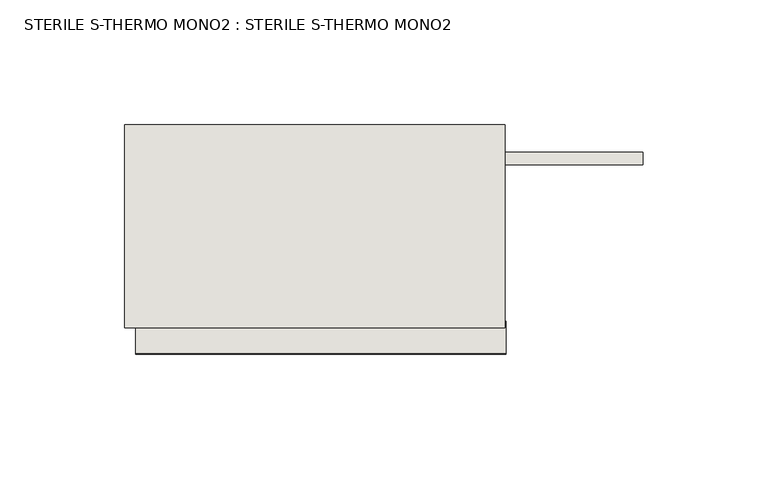
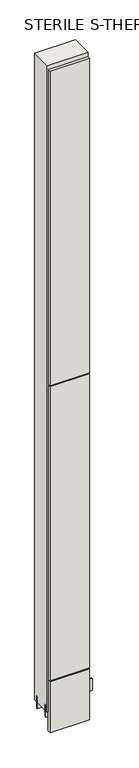
"""IFC4 building model written with IfcOpenShell, lengths in millimetres: wall geometry, STERILE S-THERMO MONO2 : STERILE S-THERMO MONO2."""

from ifc_helpers import new_model, si_unit, frame, origin, place, context, project, spatial, polyline, outline, extrude, source, transform, mapped, element, save


def sterile_s_thermo_mono2_sterile_s_thermo_mono2_7a6b02f8(model_context):
    return source(origin(), model_context, "Body", "SweptSolid", [
        extrude(outline(polyline([(61822.308918, -45023.6474684), (61819.768918, -45023.6474684), (61819.768918, -45021.1074684), (61822.308918, -45021.1074684), (61822.308918, -45023.6474684)])), frame((0.0, 0.0, 4419.6), z_axis=(0.0, 0.0, 1.0), x_axis=(1.0, 0.0, 0.0)), (0.0, 0.0, 1.0), 2.54),
        extrude(outline(polyline([(61822.7782313, -45073.1774684), (61674.3782283, -45073.1774684), (61674.3782283, -45060.4774684), (61822.7782313, -45060.4774684), (61822.7782313, -45073.1774684)])), frame((0.0, 0.0, 4573.9999706), z_axis=(0.0, 0.0, 1.0), x_axis=(1.0, 0.0, 0.0)), (0.0, 0.0, 1.0), 1164.400008),
        extrude(outline(polyline([(61822.7782313, -45073.1774684), (61674.3782283, -45073.1774684), (61674.3782283, -45060.4774684), (61822.7782313, -45060.4774684), (61822.7782313, -45073.1774684)])), frame((0.0, 0.0, 4368.1000014), z_axis=(0.0, 0.0, 1.0), x_axis=(1.0, 0.0, 0.0)), (0.0, 0.0, 1.0), 201.9000026),
        extrude(outline(polyline([(61822.7782313, -45073.1774684), (61674.3782283, -45073.1774684), (61674.3782283, -45060.4774684), (61822.7782313, -45060.4774684), (61822.7782313, -45073.1774684)])), frame((0.0, 0.0, 5742.4000722), z_axis=(0.0, 0.0, 1.0), x_axis=(1.0, 0.0, 0.0)), (0.0, 0.0, 1.0), 1247.649905),
        extrude(outline(polyline([(61877.5998158, -44997.2937238), (61669.903965, -44997.2937238), (61669.903965, -44992.2149684), (61877.5998158, -44992.2149684), (61877.5998158, -44997.2937238)])), frame((0.0, 0.0, 4418.6602), z_axis=(0.0, 0.0, 1.0), x_axis=(1.0, 0.0, 0.0)), (0.0, 0.0, 1.0), 47.625),
        extrude(outline(polyline([(61877.5998158, -44997.2937238), (61669.903965, -44997.2937238), (61669.903965, -44992.2149684), (61877.5998158, -44992.2149684), (61877.5998158, -44997.2937238)])), frame((0.0, 0.0, 4418.6602), z_axis=(0.0, 0.0, 1.0), x_axis=(1.0, 0.0, 0.0)), (0.0, 0.0, 1.0), 47.625),
        extrude(outline(polyline([(61669.903965, -45047.4581142), (61822.303965, -45047.4581142), (61822.303965, -45052.5399684), (61669.903965, -45052.5399684), (61669.903965, -45047.4581142)])), frame((0.0, 0.0, 4418.6602), z_axis=(0.0, 0.0, 1.0), x_axis=(1.0, 0.0, 0.0)), (0.0, 0.0, 1.0), 47.625),
        extrude(outline(polyline([(61669.903965, -45047.4581142), (61822.303965, -45047.4581142), (61822.303965, -45052.5399684), (61669.903965, -45052.5399684), (61669.903965, -45047.4581142)])), frame((0.0, 0.0, 4418.6602), z_axis=(0.0, 0.0, 1.0), x_axis=(1.0, 0.0, 0.0)), (0.0, 0.0, 1.0), 47.625),
        extrude(outline(polyline([(61822.303965, -44981.7504986), (61822.303965, -45063.029254), (61669.903965, -45063.029254), (61669.903965, -44981.7504986), (61822.303965, -44981.7504986)])), frame((0.0, 0.0, 4445.0), z_axis=(0.0, 0.0, 1.0), x_axis=(1.0, 0.0, 0.0)), (0.0, 0.0, 1.0), 2562.4536762),
    ])


if __name__ == "__main__":
    model = new_model("IFC4")
    model_context = context("Model", 3, world=origin())
    ifc_project = project(units=[si_unit("LENGTHUNIT", "METRE", prefix="MILLI")], contexts=[model_context])
    site = spatial("IfcSite", under=ifc_project)
    building = spatial("IfcBuilding", under=site)
    placement = place(None, origin())
    sterile_s_thermo_mono2_sterile_s_thermo_mono2_shape = sterile_s_thermo_mono2_sterile_s_thermo_mono2_7a6b02f8(model_context)
    element("IfcWall", 1, ObjectType="STERILE S-THERMO MONO2 : STERILE S-THERMO MONO2", at=placement, inside=building, context=model_context, shape_type="MappedRepresentation", body=[
        mapped(sterile_s_thermo_mono2_sterile_s_thermo_mono2_shape, transform((0.0, 0.0, 0.0), x_axis=(1.0, 0.0, 0.0), y_axis=(0.0, 1.0, 0.0), z_axis=(0.0, 0.0, 1.0))),
    ])
    save(model, "model.ifc")
